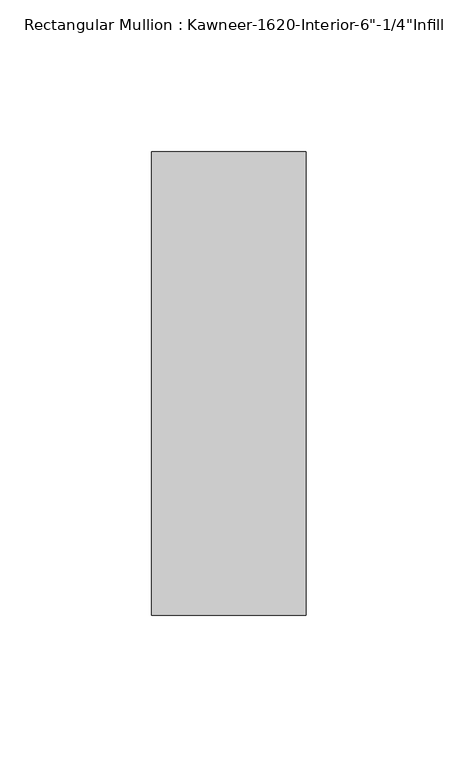
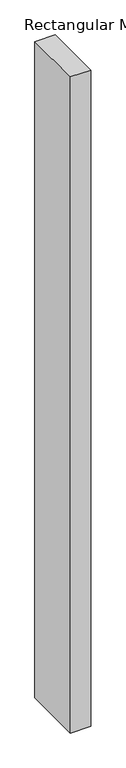
"""IFC4 building model written with IfcOpenShell, lengths in millimetres: member geometry."""

from ifc_helpers import new_model, si_unit, frame, origin, place, context, project, spatial, polyline, outline, extrude, source, transform, mapped, element, save


def member_fcdf3aa4(model_context):
    return source(origin(), model_context, "Body", "SweptSolid", [
        extrude(outline(polyline([(25.4, -123.825), (-25.4, -123.825), (-25.4, 28.575), (25.4, 28.575), (25.4, -123.825)])), frame((0.0, 0.0, -1720.85), z_axis=(0.0, 0.0, 1.0), x_axis=(1.0, 0.0, 0.0)), (0.0, 0.0, 1.0), 1720.85),
    ])


if __name__ == "__main__":
    model = new_model("IFC4")
    model_context = context("Model", 3, world=origin())
    ifc_project = project(units=[si_unit("LENGTHUNIT", "METRE", prefix="MILLI")], contexts=[model_context])
    site = spatial("IfcSite", under=ifc_project)
    building = spatial("IfcBuilding", under=site)
    placement = place(None, origin())
    member_shape = member_fcdf3aa4(model_context)
    element("IfcMember", 1, ObjectType="Rectangular Mullion : Kawneer-1620-Interior-6\"-1/4\"Infill", at=placement, inside=building, context=model_context, shape_type="MappedRepresentation", body=[
        mapped(member_shape, transform((0.0, 0.0, 0.0), x_axis=(1.0, 0.0, 0.0), y_axis=(0.0, 1.0, 0.0), z_axis=(0.0, 0.0, 1.0))),
    ])
    save(model, "model.ifc")
